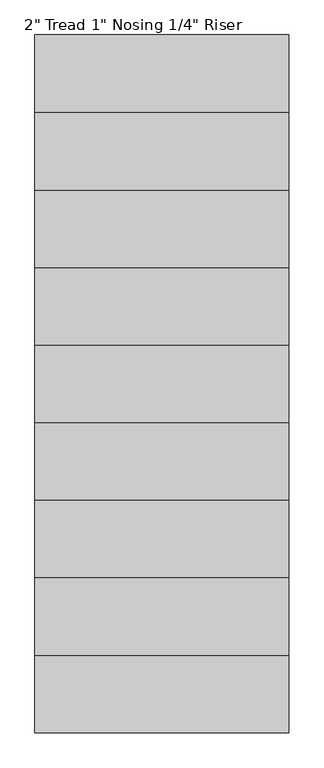
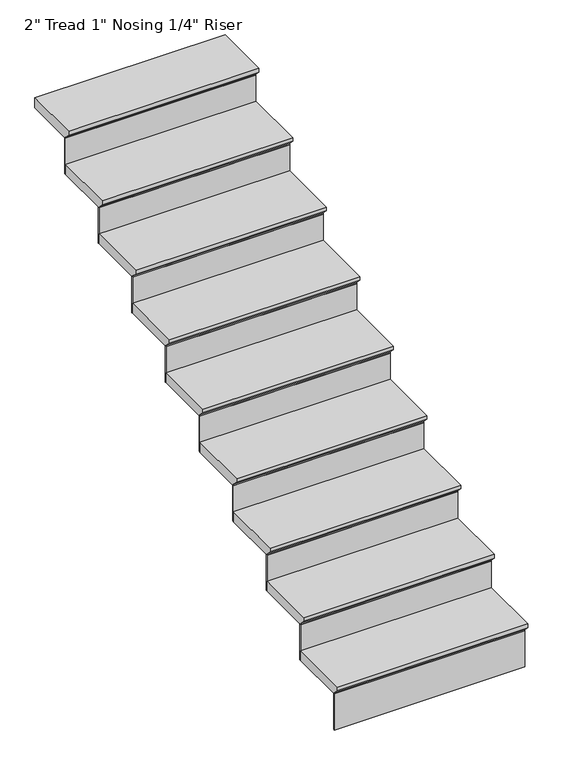
"""IFC4 building model written with IfcOpenShell, lengths in millimetres: stair flight geometry."""

from ifc_helpers import new_model, si_unit, frame, origin, place, context, project, spatial, polyline, outline, extrude, source, transform, mapped, element, save


def stair_flight_ab246e2c(model_context):
    return source(origin(), model_context, "Body", "SweptSolid", [
        extrude(outline(polyline([(11279.9019376, 1830.9166667), (11584.7019376, 1830.9166667), (11584.7019376, 1780.1166667), (11305.3019376, 1780.1166667), (11305.3019376, 1786.4666667), (11279.9019376, 1811.8666667), (11279.9019376, 1830.9166667)])), frame((6134.0878226, 0.0, 0.0), z_axis=(1.0, 0.0, 0.0), x_axis=(0.0, 1.0, 0.0)), (0.0, 0.0, 1.0), 914.4),
        extrude(outline(polyline([(7048.4878226, 11311.6519376), (7048.4878226, 11305.3019376), (6134.0878226, 11305.3019376), (6134.0878226, 11311.6519376), (7048.4878226, 11311.6519376)])), frame((0.0, 0.0, 1597.025), z_axis=(0.0, 0.0, 1.0), x_axis=(1.0, 0.0, 0.0)), (0.0, 0.0, 1.0), 183.0916667),
        extrude(outline(polyline([(7048.4878226, 11591.0519376), (7048.4878226, 11584.7019376), (6134.0878226, 11584.7019376), (6134.0878226, 11591.0519376), (7048.4878226, 11591.0519376)])), frame((0.0, 0.0, 1780.1166667), z_axis=(0.0, 0.0, 1.0), x_axis=(1.0, 0.0, 0.0)), (0.0, 0.0, 1.0), 183.0916667),
        extrude(outline(polyline([(11559.3019376, 2014.0083333), (11864.1019376, 2014.0083333), (11864.1019376, 1963.2083333), (11584.7019376, 1963.2083333), (11584.7019376, 1969.5583333), (11559.3019376, 1994.9583333), (11559.3019376, 2014.0083333)])), frame((6134.0878226, 0.0, 0.0), z_axis=(1.0, 0.0, 0.0), x_axis=(0.0, 1.0, 0.0)), (0.0, 0.0, 1.0), 914.4),
        extrude(outline(polyline([(7048.4878226, 11870.4519376), (7048.4878226, 11864.1019376), (6134.0878226, 11864.1019376), (6134.0878226, 11870.4519376), (7048.4878226, 11870.4519376)])), frame((0.0, 0.0, 1963.2083333), z_axis=(0.0, 0.0, 1.0), x_axis=(1.0, 0.0, 0.0)), (0.0, 0.0, 1.0), 183.0916667),
        extrude(outline(polyline([(11838.7019376, 2197.1), (12143.5019376, 2197.1), (12143.5019376, 2146.3), (11864.1019376, 2146.3), (11864.1019376, 2152.65), (11838.7019376, 2178.05), (11838.7019376, 2197.1)])), frame((6134.0878226, 0.0, 0.0), z_axis=(1.0, 0.0, 0.0), x_axis=(0.0, 1.0, 0.0)), (0.0, 0.0, 1.0), 914.4),
        extrude(outline(polyline([(7048.4878226, 12149.8519376), (7048.4878226, 12143.5019376), (6134.0878226, 12143.5019376), (6134.0878226, 12149.8519376), (7048.4878226, 12149.8519376)])), frame((0.0, 0.0, 2146.3), z_axis=(0.0, 0.0, 1.0), x_axis=(1.0, 0.0, 0.0)), (0.0, 0.0, 1.0), 183.0916667),
        extrude(outline(polyline([(12118.1019376, 2380.1916667), (12422.9019376, 2380.1916667), (12422.9019376, 2329.3916667), (12143.5019376, 2329.3916667), (12143.5019376, 2335.7416667), (12118.1019376, 2361.1416667), (12118.1019376, 2380.1916667)])), frame((6134.0878226, 0.0, 0.0), z_axis=(1.0, 0.0, 0.0), x_axis=(0.0, 1.0, 0.0)), (0.0, 0.0, 1.0), 914.4),
        extrude(outline(polyline([(7048.4878226, 12429.2519376), (7048.4878226, 12422.9019376), (6134.0878226, 12422.9019376), (6134.0878226, 12429.2519376), (7048.4878226, 12429.2519376)])), frame((0.0, 0.0, 2329.3916667), z_axis=(0.0, 0.0, 1.0), x_axis=(1.0, 0.0, 0.0)), (0.0, 0.0, 1.0), 183.0916667),
        extrude(outline(polyline([(12397.5019376, 2563.2833333), (12702.3019376, 2563.2833333), (12702.3019376, 2512.4833333), (12422.9019376, 2512.4833333), (12422.9019376, 2518.8333333), (12397.5019376, 2544.2333333), (12397.5019376, 2563.2833333)])), frame((6134.0878226, 0.0, 0.0), z_axis=(1.0, 0.0, 0.0), x_axis=(0.0, 1.0, 0.0)), (0.0, 0.0, 1.0), 914.4),
        extrude(outline(polyline([(7048.4878226, 12708.6519376), (7048.4878226, 12702.3019376), (6134.0878226, 12702.3019376), (6134.0878226, 12708.6519376), (7048.4878226, 12708.6519376)])), frame((0.0, 0.0, 2512.4833333), z_axis=(0.0, 0.0, 1.0), x_axis=(1.0, 0.0, 0.0)), (0.0, 0.0, 1.0), 183.0916667),
        extrude(outline(polyline([(12676.9019376, 2746.375), (12981.7019376, 2746.375), (12981.7019376, 2695.575), (12702.3019376, 2695.575), (12702.3019376, 2701.925), (12676.9019376, 2727.325), (12676.9019376, 2746.375)])), frame((6134.0878226, 0.0, 0.0), z_axis=(1.0, 0.0, 0.0), x_axis=(0.0, 1.0, 0.0)), (0.0, 0.0, 1.0), 914.4),
        extrude(outline(polyline([(7048.4878226, 12988.0519376), (7048.4878226, 12981.7019376), (6134.0878226, 12981.7019376), (6134.0878226, 12988.0519376), (7048.4878226, 12988.0519376)])), frame((0.0, 0.0, 2695.575), z_axis=(0.0, 0.0, 1.0), x_axis=(1.0, 0.0, 0.0)), (0.0, 0.0, 1.0), 183.0916667),
        extrude(outline(polyline([(12956.3019376, 2929.4666667), (13261.1019376, 2929.4666667), (13261.1019376, 2878.6666667), (12981.7019376, 2878.6666667), (12981.7019376, 2885.0166667), (12956.3019376, 2910.4166667), (12956.3019376, 2929.4666667)])), frame((6134.0878226, 0.0, 0.0), z_axis=(1.0, 0.0, 0.0), x_axis=(0.0, 1.0, 0.0)), (0.0, 0.0, 1.0), 914.4),
        extrude(outline(polyline([(7048.4878226, 13267.4519376), (7048.4878226, 13261.1019376), (6134.0878226, 13261.1019376), (6134.0878226, 13267.4519376), (7048.4878226, 13267.4519376)])), frame((0.0, 0.0, 2878.6666667), z_axis=(0.0, 0.0, 1.0), x_axis=(1.0, 0.0, 0.0)), (0.0, 0.0, 1.0), 183.0916667),
        extrude(outline(polyline([(13235.7019376, 3112.5583333), (13540.5019376, 3112.5583333), (13540.5019376, 3061.7583333), (13261.1019376, 3061.7583333), (13261.1019376, 3068.1083333), (13235.7019376, 3093.5083333), (13235.7019376, 3112.5583333)])), frame((6134.0878226, 0.0, 0.0), z_axis=(1.0, 0.0, 0.0), x_axis=(0.0, 1.0, 0.0)), (0.0, 0.0, 1.0), 914.4),
        extrude(outline(polyline([(7048.4878226, 13546.8519376), (7048.4878226, 13540.5019376), (6134.0878226, 13540.5019376), (6134.0878226, 13546.8519376), (7048.4878226, 13546.8519376)])), frame((0.0, 0.0, 3061.7583333), z_axis=(0.0, 0.0, 1.0), x_axis=(1.0, 0.0, 0.0)), (0.0, 0.0, 1.0), 183.0916667),
        extrude(outline(polyline([(13515.1019376, 3295.65), (13794.5019376, 3295.65), (13794.5019376, 3244.85), (13540.5019376, 3244.85), (13540.5019376, 3251.2), (13515.1019376, 3276.6), (13515.1019376, 3295.65)])), frame((6134.0878226, 0.0, 0.0), z_axis=(1.0, 0.0, 0.0), x_axis=(0.0, 1.0, 0.0)), (0.0, 0.0, 1.0), 914.4),
    ])


if __name__ == "__main__":
    model = new_model("IFC4")
    model_context = context("Model", 3, world=origin())
    ifc_project = project(units=[si_unit("LENGTHUNIT", "METRE", prefix="MILLI")], contexts=[model_context])
    site = spatial("IfcSite", under=ifc_project)
    building = spatial("IfcBuilding", under=site)
    placement = place(None, origin())
    stair_flight_shape = stair_flight_ab246e2c(model_context)
    element("IfcStairFlight", 1, ObjectType="2\" Tread 1\" Nosing 1/4\" Riser", at=placement, inside=building, context=model_context, shape_type="MappedRepresentation", body=[
        mapped(stair_flight_shape, transform((0.0, 0.0, 0.0), x_axis=(1.0, 0.0, 0.0), y_axis=(0.0, 1.0, 0.0), z_axis=(0.0, 0.0, 1.0))),
    ])
    save(model, "model.ifc")
